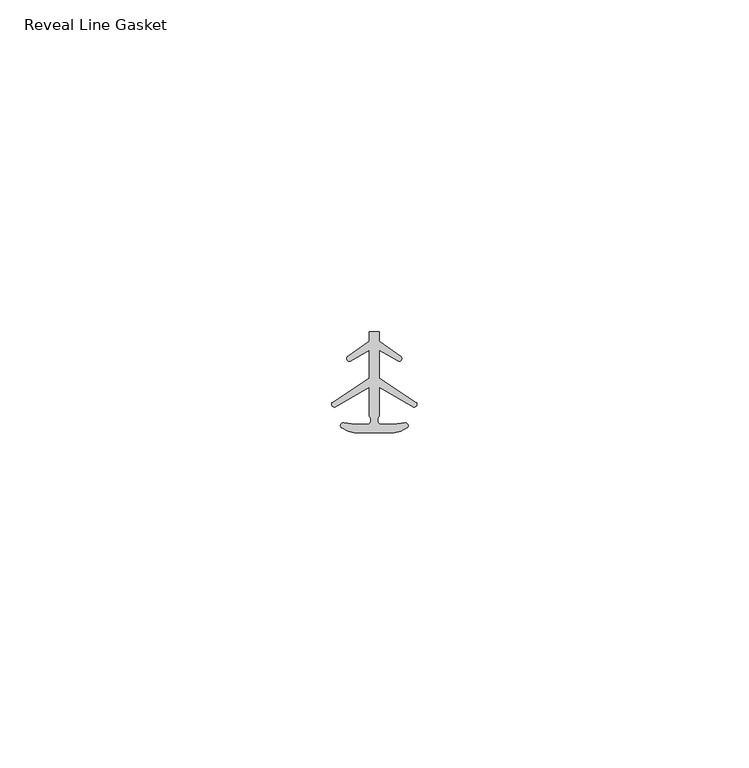
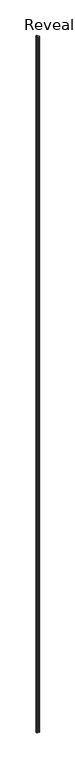
"""IFC4 building model written with IfcOpenShell, lengths in millimetres: proxy geometry, Reveal Line Gasket."""

from ifc_helpers import new_model, si_unit, point, frame, frame_2d, origin, place, context, project, spatial, polyline, circle_curve, trimmed, segment, composite_curve, outline, extrude, source, transform, mapped, element, save


def reveal_line_gasket_f631ec2d(model_context):
    return source(origin(), model_context, "Body", "SweptSolid", [
        extrude(outline(composite_curve([segment(polyline([(2.999107, -7.6326998), (-3.000893, -7.6326998), (-3.9563857, -7.4091917), (-4.8893614, -6.8813059)]), True, "CONTINUOUS"), segment(trimmed(circle_curve(frame_2d((-4.6873723, -6.5243141)), 0.4101739), [point((-4.8893614, -6.8813059))], [point((-4.5950277, -6.1246704))], False, "CARTESIAN"), True, "CONTINUOUS"), segment(polyline([(-4.5950277, -6.1246704), (-2.8988015, -6.3626997), (-0.8663457, -6.3626997)]), True, "CONTINUOUS"), segment(trimmed(circle_curve(frame_2d((-1.2828188, -5.6959605)), 0.786124), [point((-0.8663457, -6.3626997))], [point((-0.778768, -5.0926996))], True, "CARTESIAN"), True, "CONTINUOUS"), segment(polyline([(-0.778768, -5.0926996), (-0.778768, -0.7492996), (-5.9404224, -3.7293824)]), True, "CONTINUOUS"), segment(trimmed(circle_curve(frame_2d((-6.0058691, -3.3132479)), 0.4212495), [point((-5.9404224, -3.7293824))], [point((-6.3335288, -3.0485022))], False, "CARTESIAN"), True, "CONTINUOUS"), segment(polyline([(-6.3335288, -3.0485022), (-0.778768, 0.5742594), (-0.778768, 4.8262978), (-3.6544226, 3.1660374)]), True, "CONTINUOUS"), segment(trimmed(circle_curve(frame_2d((-3.7127785, 3.5978728)), 0.4357605), [point((-3.6544226, 3.1660374))], [point((-4.0575811, 3.864328))], False, "CARTESIAN"), True, "CONTINUOUS"), segment(polyline([(-4.0575811, 3.864328), (-0.778768, 6.1944059), (-0.778768, 7.6326998), (0.7769821, 7.6326998), (0.7769821, 6.1944059), (4.0557951, 3.864328)]), True, "CONTINUOUS"), segment(trimmed(circle_curve(frame_2d((3.7109925, 3.5978728)), 0.4357605), [point((4.0557951, 3.864328))], [point((3.6526367, 3.1660374))], False, "CARTESIAN"), True, "CONTINUOUS"), segment(polyline([(3.6526367, 3.1660374), (0.7769821, 4.8262978), (0.7769821, 0.5742594), (6.3317429, -3.0485022)]), True, "CONTINUOUS"), segment(trimmed(circle_curve(frame_2d((6.0040832, -3.3132479)), 0.4212495), [point((6.3317429, -3.0485022))], [point((5.9386365, -3.7293824))], False, "CARTESIAN"), True, "CONTINUOUS"), segment(polyline([(5.9386365, -3.7293824), (0.7769821, -0.7492996), (0.7769821, -5.0926996)]), True, "CONTINUOUS"), segment(trimmed(circle_curve(frame_2d((1.2810328, -5.6959605)), 0.786124), [point((0.7769821, -5.0926996))], [point((0.8645598, -6.3626997))], True, "CARTESIAN"), True, "CONTINUOUS"), segment(polyline([(0.8645598, -6.3626997), (2.8970156, -6.3626997), (4.5932418, -6.1246704)]), True, "CONTINUOUS"), segment(trimmed(circle_curve(frame_2d((4.6855864, -6.5243141)), 0.4101739), [point((4.5932418, -6.1246704))], [point((4.8875754, -6.8813059))], False, "CARTESIAN"), True, "CONTINUOUS"), segment(polyline([(4.8875754, -6.8813059), (3.9545998, -7.4091917), (2.999107, -7.6326998)]), True, "CONTINUOUS")], self_intersect=False)), frame((0.0, 0.0, 84.836), z_axis=(0.0, 0.0, 1.0), x_axis=(1.0, 0.0, 0.0)), (0.0, 0.0, 1.0), 2953.6756671),
    ])


if __name__ == "__main__":
    model = new_model("IFC4")
    model_context = context("Model", 3, world=origin())
    ifc_project = project(units=[si_unit("LENGTHUNIT", "METRE", prefix="MILLI")], contexts=[model_context])
    site = spatial("IfcSite", under=ifc_project)
    building = spatial("IfcBuilding", under=site)
    placement = place(None, origin())
    reveal_line_gasket_shape = reveal_line_gasket_f631ec2d(model_context)
    element("IfcBuildingElementProxy", 1, Name="Reveal Line Gasket", ObjectType="Reveal Line Gasket", at=placement, inside=building, context=model_context, shape_type="MappedRepresentation", body=[
        mapped(reveal_line_gasket_shape, transform((0.0, 0.0, 0.0), x_axis=(1.0, 0.0, 0.0), y_axis=(0.0, 1.0, 0.0), z_axis=(0.0, 0.0, 1.0))),
    ])
    save(model, "model.ifc")
